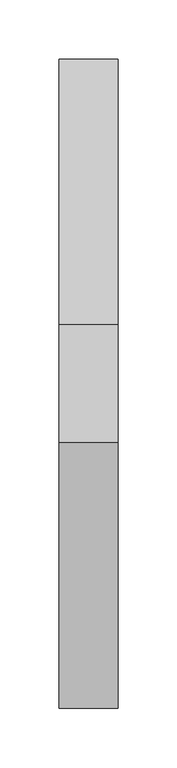
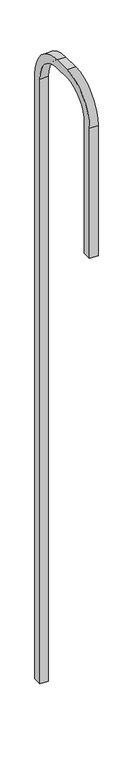
"""IFC4 building model written with IfcOpenShell, lengths in millimetres: proxy geometry."""

from ifc_helpers import new_model, si_unit, point, frame, frame_2d, origin, place, context, project, spatial, polyline, circle_curve, trimmed, segment, composite_curve, outline, extrude, source, transform, mapped, element, save


def mechanical_equipment_873e5395(model_context):
    return source(origin(), model_context, "Body", "SweptSolid", [
        extrude(outline(composite_curve([segment(polyline([(-475.0, 1421.9359014), (-525.0, 1421.9359014), (-525.0, 2221.9359014)]), True, "CONTINUOUS"), segment(trimmed(circle_curve(frame_2d((-300.0, 2221.9359014)), 225.0), [point((-525.0, 2221.9359014))], [point((-300.0, 2446.9359014))], False, "CARTESIAN"), True, "CONTINUOUS"), segment(polyline([(-300.0, 2446.9359014), (-200.0, 2446.9359014)]), True, "CONTINUOUS"), segment(trimmed(circle_curve(frame_2d((-200.0, 2221.9359014)), 225.0), [point((-200.0, 2446.9359014))], [point((25.0, 2221.9359014))], False, "CARTESIAN"), True, "CONTINUOUS"), segment(polyline([(25.0, 2221.9359014), (25.0, -1501.0269313), (-25.0, -1501.0269313), (-25.0, 2221.9359014)]), True, "CONTINUOUS"), segment(trimmed(circle_curve(frame_2d((-200.0, 2221.9359014)), 175.0), [point((-25.0, 2221.9359014))], [point((-200.0, 2396.9359014))], True, "CARTESIAN"), True, "CONTINUOUS"), segment(polyline([(-200.0, 2396.9359014), (-300.0, 2396.9359014)]), True, "CONTINUOUS"), segment(trimmed(circle_curve(frame_2d((-300.0, 2221.9359014)), 175.0), [point((-300.0, 2396.9359014))], [point((-475.0, 2221.9359014))], True, "CARTESIAN"), True, "CONTINUOUS"), segment(polyline([(-475.0, 2221.9359014), (-475.0, 1421.9359014)]), True, "CONTINUOUS")], self_intersect=False)), frame((-25.0, 0.0, 0.0), z_axis=(1.0, 0.0, 0.0), x_axis=(0.0, 1.0, 0.0)), (0.0, 0.0, 1.0), 50.0),
    ])


if __name__ == "__main__":
    model = new_model("IFC4")
    model_context = context("Model", 3, world=origin())
    ifc_project = project(units=[si_unit("LENGTHUNIT", "METRE", prefix="MILLI")], contexts=[model_context])
    site = spatial("IfcSite", under=ifc_project)
    building = spatial("IfcBuilding", under=site)
    placement = place(None, origin())
    mechanical_equipment_shape = mechanical_equipment_873e5395(model_context)
    element("IfcBuildingElementProxy", 1, Name="Mechanical Equipment", at=placement, inside=building, context=model_context, shape_type="MappedRepresentation", body=[
        mapped(mechanical_equipment_shape, transform((0.0, 0.0, 0.0), x_axis=(1.0, 0.0, 0.0), y_axis=(0.0, 1.0, 0.0), z_axis=(0.0, 0.0, 1.0))),
    ])
    save(model, "model.ifc")
